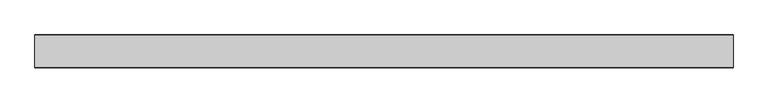
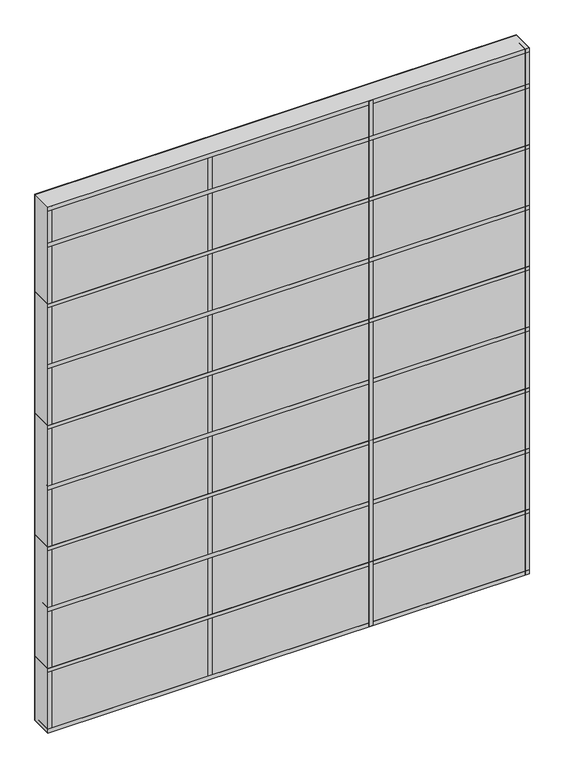
"""IFC4 building model written with IfcOpenShell, lengths in millimetres: plate geometry."""

from ifc_helpers import new_model, si_unit, frame, origin, origin_with_axes, place, context, project, spatial, polyline, outline, extrude, source, transform, mapped, element, save


def plate_b9a594d2(model_context):
    return source(origin(), model_context, "Body", "SweptSolid", [
        extrude(outline(polyline([(762.0, 34.925), (762.0, -34.925), (-762.0, -34.925), (-762.0, 34.925), (762.0, 34.925)])), origin_with_axes(), (0.0, 0.0, 1.0), 1758.95),
        extrude(outline(polyline([(762.0, 35.71875), (762.0, -35.71875), (-762.0, -35.71875), (-762.0, 35.71875), (762.0, 35.71875)])), frame((0.0, 0.0, 1625.6), z_axis=(0.0, 0.0, 1.0), x_axis=(1.0, 0.0, 0.0)), (0.0, 0.0, 1.0), 12.7),
        extrude(outline(polyline([(762.0, 35.71875), (762.0, -35.71875), (-762.0, -35.71875), (-762.0, 35.71875), (762.0, 35.71875)])), frame((0.0, 0.0, 1422.4), z_axis=(0.0, 0.0, 1.0), x_axis=(1.0, 0.0, 0.0)), (0.0, 0.0, 1.0), 12.7),
        extrude(outline(polyline([(762.0, 35.71875), (762.0, -35.71875), (-762.0, -35.71875), (-762.0, 35.71875), (762.0, 35.71875)])), frame((0.0, 0.0, 1219.2), z_axis=(0.0, 0.0, 1.0), x_axis=(1.0, 0.0, 0.0)), (0.0, 0.0, 1.0), 12.7),
        extrude(outline(polyline([(762.0, 35.71875), (762.0, -35.71875), (-762.0, -35.71875), (-762.0, 35.71875), (762.0, 35.71875)])), frame((0.0, 0.0, 1016.0), z_axis=(0.0, 0.0, 1.0), x_axis=(1.0, 0.0, 0.0)), (0.0, 0.0, 1.0), 12.7),
        extrude(outline(polyline([(266.7, 35.71875), (266.7, -35.71875), (254.0, -35.71875), (254.0, 35.71875), (266.7, 35.71875)])), origin_with_axes(), (0.0, 0.0, 1.0), 1758.95),
        extrude(outline(polyline([(762.0, 35.71875), (762.0, -35.71875), (-762.0, -35.71875), (-762.0, 35.71875), (762.0, 35.71875)])), frame((0.0, 0.0, 812.8), z_axis=(0.0, 0.0, 1.0), x_axis=(1.0, 0.0, 0.0)), (0.0, 0.0, 1.0), 12.7),
        extrude(outline(polyline([(762.0, 35.71875), (762.0, -35.71875), (-762.0, -35.71875), (-762.0, 35.71875), (762.0, 35.71875)])), frame((0.0, 0.0, 609.6), z_axis=(0.0, 0.0, 1.0), x_axis=(1.0, 0.0, 0.0)), (0.0, 0.0, 1.0), 12.7),
        extrude(outline(polyline([(762.0, 35.71875), (762.0, -35.71875), (-762.0, -35.71875), (-762.0, 35.71875), (762.0, 35.71875)])), frame((0.0, 0.0, 406.4), z_axis=(0.0, 0.0, 1.0), x_axis=(1.0, 0.0, 0.0)), (0.0, 0.0, 1.0), 12.7),
        extrude(outline(polyline([(762.0, 35.71875), (762.0, -35.71875), (-762.0, -35.71875), (-762.0, 35.71875), (762.0, 35.71875)])), frame((0.0, 0.0, 1746.25), z_axis=(0.0, 0.0, 1.0), x_axis=(1.0, 0.0, 0.0)), (0.0, 0.0, 1.0), 12.7),
        extrude(outline(polyline([(762.0, 35.71875), (762.0, -35.71875), (-762.0, -35.71875), (-762.0, 35.71875), (762.0, 35.71875)])), frame((0.0, 0.0, 203.2), z_axis=(0.0, 0.0, 1.0), x_axis=(1.0, 0.0, 0.0)), (0.0, 0.0, 1.0), 12.7),
        extrude(outline(polyline([(762.0, 35.71875), (762.0, -35.71875), (-762.0, -35.71875), (-762.0, 35.71875), (762.0, 35.71875)])), origin_with_axes(), (0.0, 0.0, 1.0), 12.7),
        extrude(outline(polyline([(-241.3, 35.71875), (-241.3, -35.71875), (-254.0, -35.71875), (-254.0, 35.71875), (-241.3, 35.71875)])), origin_with_axes(), (0.0, 0.0, 1.0), 1758.95),
        extrude(outline(polyline([(762.0, 35.71875), (762.0, -35.71875), (749.3, -35.71875), (749.3, 35.71875), (762.0, 35.71875)])), origin_with_axes(), (0.0, 0.0, 1.0), 1758.95),
        extrude(outline(polyline([(-749.3, 35.71875), (-749.3, -35.71875), (-762.0, -35.71875), (-762.0, 35.71875), (-749.3, 35.71875)])), origin_with_axes(), (0.0, 0.0, 1.0), 1758.95),
    ])


if __name__ == "__main__":
    model = new_model("IFC4")
    model_context = context("Model", 3, world=origin())
    ifc_project = project(units=[si_unit("LENGTHUNIT", "METRE", prefix="MILLI")], contexts=[model_context])
    site = spatial("IfcSite", under=ifc_project)
    building = spatial("IfcBuilding", under=site)
    placement = place(None, origin())
    plate_shape = plate_b9a594d2(model_context)
    element("IfcPlate", 1, at=placement, inside=building, context=model_context, shape_type="MappedRepresentation", body=[
        mapped(plate_shape, transform((0.0, 0.0, 0.0), x_axis=(1.0, 0.0, 0.0), y_axis=(0.0, 1.0, 0.0), z_axis=(0.0, 0.0, 1.0))),
    ])
    save(model, "model.ifc")
